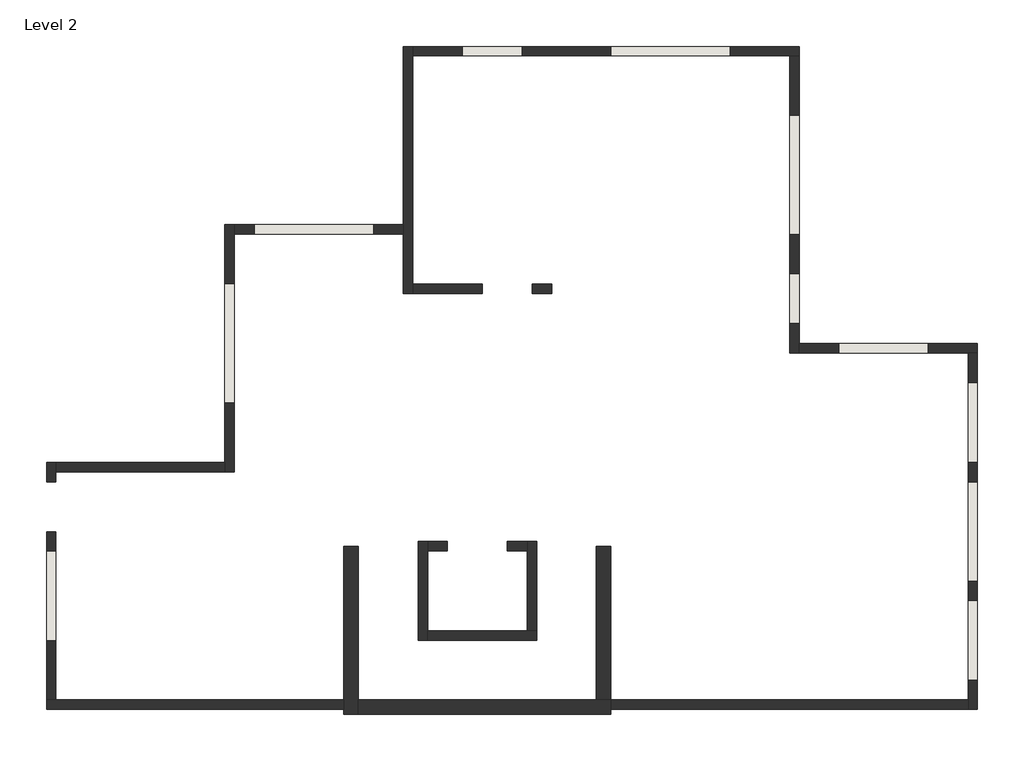
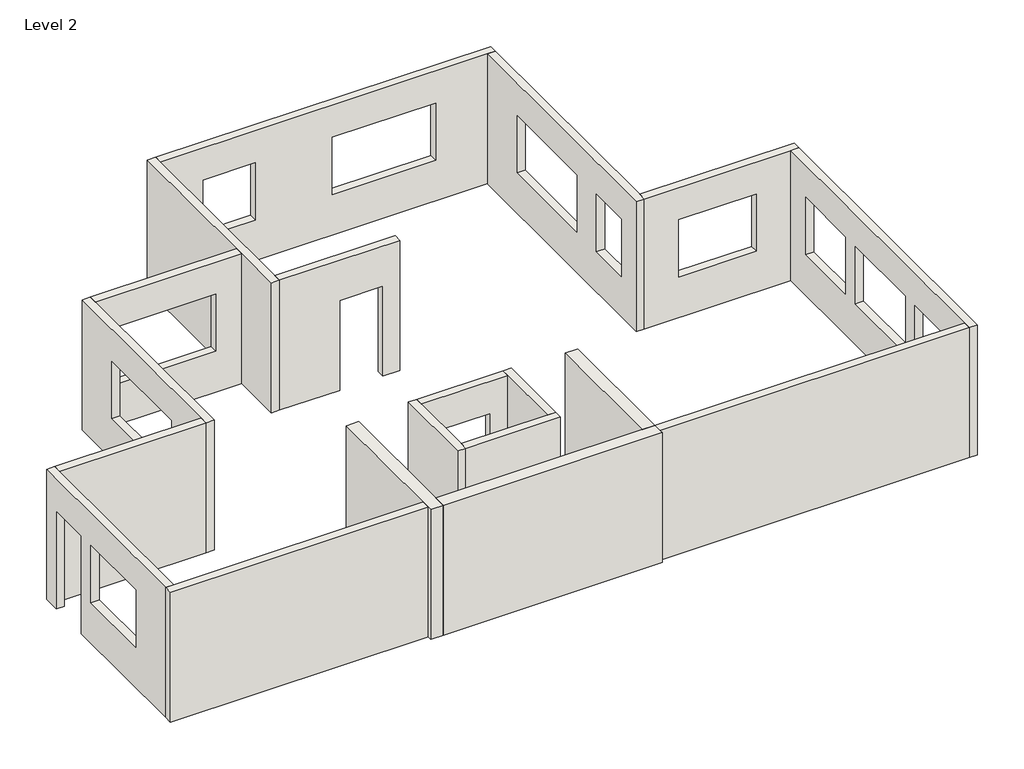
# One storey: 19 walls.
"""IFC4 building model written with IfcOpenShell, lengths in millimetres."""

from ifc_helpers import new_model, si_unit, frame, origin, place, context, project, spatial, polyline, outline, extrude, faceted_brep, element, save

model = new_model("IFC4")

# Units and contexts
model_context = context("Model", 3, world=origin())
ifc_project = project(units=[si_unit("LENGTHUNIT", "METRE", prefix="MILLI")], contexts=[model_context])

# Site, building, storey
site = spatial("IfcSite", under=ifc_project)
building = spatial("IfcBuilding", under=site)
storey = spatial("IfcBuildingStorey", under=building, Name="Level 2", Elevation=3657.6)

# Walls
placement = place(None, origin())
element("IfcWall", 1, ObjectType="12\" Omni", at=placement, inside=storey, context=model_context, shape_type="Brep", body=[
    faceted_brep([(10593.2716482, -4772.8512144, 3657.6), (10593.2716482, -7927.2137144, 3657.6), (10593.2716482, -8120.8887144, 3657.6), (10593.2716482, -8222.4887144, 3657.6), (10593.2716482, -8222.4887144, 6908.8), (10593.2716482, -8120.8887144, 6908.8), (10593.2716482, -7927.2137144, 6908.8), (10593.2716482, -4772.8512144, 6908.8), (10888.5466482, -4772.8512144, 3657.6), (10888.5466482, -4772.8512144, 6908.8), (10888.5466482, -7927.2137144, 6908.8), (10888.5466482, -8222.4887144, 6908.8), (10888.5466482, -8222.4887144, 3657.6), (10888.5466482, -7927.2137144, 3657.6)], [[[0, 1, 2, 3, 4, 5, 6, 7]], [[8, 9, 10, 11, 12, 13]], [[3, 2, 1, 0, 8, 13, 12]], [[7, 6, 5, 4, 11, 10, 9]], [[0, 7, 9, 8]], [[4, 3, 12, 11]]]),
])
element("IfcWall", 2, ObjectType="12\" Omni", at=placement, inside=storey, context=model_context, shape_type="Brep", body=[
    faceted_brep([(10888.5466482, -8222.4887144, 3657.6), (16070.1466482, -8222.4887144, 3657.6), (16070.1466482, -8222.4887144, 6908.8), (10888.5466482, -8222.4887144, 6908.8), (10888.5466482, -7927.2137144, 3657.6), (10888.5466482, -7927.2137144, 6908.8), (15774.8716482, -7927.2137144, 6908.8), (16070.1466482, -7927.2137144, 6908.8), (16070.1466482, -7927.2137144, 3657.6), (15774.8716482, -7927.2137144, 3657.6), (16070.1466482, -8120.8887144, 3657.6), (16070.1466482, -8120.8887144, 6908.8)], [[[0, 1, 2, 3]], [[4, 5, 6, 7, 8, 9]], [[1, 0, 4, 9, 8, 10]], [[3, 2, 11, 7, 6, 5]], [[0, 3, 5, 4]], [[2, 1, 10, 8, 7, 11]]]),
])
element("IfcWall", 3, ObjectType="12\" Omni", at=placement, inside=storey, context=model_context, shape_type="SweptSolid", body=[
    extrude(outline(polyline([(16070.1466482, -4772.8512144), (16070.1466482, -7927.2137144), (15774.8716482, -7927.2137144), (15774.8716482, -4772.8512144), (16070.1466482, -4772.8512144)])), frame((0.0, 0.0, 3657.6), z_axis=(0.0, 0.0, 1.0), x_axis=(1.0, 0.0, 0.0)), (0.0, 0.0, 1.0), 3251.2),
])
element("IfcWall", 4, ObjectType="8\" CMU", at=placement, inside=storey, context=model_context, shape_type="Brep", body=[
    faceted_brep([(12117.2716482, -4676.0137144, 3657.6), (12117.2716482, -6698.4887144, 3657.6), (12117.2716482, -6698.4887144, 6908.8), (12117.2716482, -4676.0137144, 6908.8), (12310.9466482, -4676.0137144, 3657.6), (12310.9466482, -4676.0137144, 6908.8), (12310.9466482, -4869.6887144, 6908.8), (12310.9466482, -6504.8137144, 6908.8), (12310.9466482, -6698.4887144, 6908.8), (12310.9466482, -6698.4887144, 3657.6), (12310.9466482, -6504.8137144, 3657.6), (12310.9466482, -4869.6887144, 3657.6)], [[[0, 1, 2, 3]], [[4, 5, 6, 7, 8, 9, 10, 11]], [[1, 0, 4, 11, 10, 9]], [[3, 2, 8, 7, 6, 5]], [[2, 1, 9, 8]], [[0, 3, 5, 4]]]),
])
element("IfcWall", 5, ObjectType="8\" CMU", at=placement, inside=storey, context=model_context, shape_type="Brep", body=[
    faceted_brep([(12310.9466482, -6698.4887144, 3657.6), (14546.1466482, -6698.4887144, 3657.6), (14546.1466482, -6698.4887144, 6908.8), (12310.9466482, -6698.4887144, 6908.8), (12310.9466482, -6504.8137144, 3657.6), (12310.9466482, -6504.8137144, 6908.8), (14352.4716482, -6504.8137144, 6908.8), (14546.1466482, -6504.8137144, 6908.8), (14546.1466482, -6504.8137144, 3657.6), (14352.4716482, -6504.8137144, 3657.6)], [[[0, 1, 2, 3]], [[4, 5, 6, 7, 8, 9]], [[1, 0, 4, 9, 8]], [[3, 2, 7, 6, 5]], [[0, 3, 5, 4]], [[2, 1, 8, 7]]]),
])
element("IfcWall", 6, ObjectType="8\" CMU", at=placement, inside=storey, context=model_context, shape_type="Brep", body=[
    faceted_brep([(14546.1466482, -6504.8137144, 3657.6), (14546.1466482, -4676.0137144, 3657.6), (14546.1466482, -4676.0137144, 6908.8), (14546.1466482, -6504.8137144, 6908.8), (14352.4716482, -6504.8137144, 3657.6), (14352.4716482, -6504.8137144, 6908.8), (14352.4716482, -4869.6887144, 6908.8), (14352.4716482, -4676.0137144, 6908.8), (14352.4716482, -4676.0137144, 3657.6), (14352.4716482, -4869.6887144, 3657.6)], [[[0, 1, 2, 3]], [[4, 5, 6, 7, 8, 9]], [[1, 0, 4, 9, 8]], [[3, 2, 7, 6, 5]], [[0, 3, 5, 4]], [[2, 1, 8, 7]]]),
])
element("IfcWall", 7, ObjectType="8\" CMU", at=placement, inside=storey, context=model_context, shape_type="SweptSolid", body=[
    extrude(outline(polyline([(6908.8, 12310.9466482), (3657.6, 12310.9466482), (3657.6, 12717.3471562), (6105.525, 12717.3471562), (6105.525, 13946.0721562), (3657.6, 13946.0721562), (3657.6, 14352.4716482), (6908.8, 14352.4716482), (6908.8, 12310.9466482)])), frame((0.0, -4869.6887144, 0.0), z_axis=(0.0, 1.0, 0.0), x_axis=(0.0, 0.0, 1.0)), (0.0, 0.0, 1.0), 193.675),
])
element("IfcWall", 8, ObjectType="8\" Omni", at=placement, inside=storey, context=model_context, shape_type="Brep", body=[
    faceted_brep([(10593.2716482, -7927.2137144, 3657.6), (4690.9466482, -7927.2137144, 3657.6), (4497.2716482, -7927.2137144, 3657.6), (4497.2716482, -7927.2137144, 6908.8), (4690.9466482, -7927.2137144, 6908.8), (10593.2716482, -7927.2137144, 6908.8), (10593.2716482, -8120.8887144, 3657.6), (10593.2716482, -8120.8887144, 6908.8), (4497.2716482, -8120.8887144, 6908.8), (4497.2716482, -8120.8887144, 3657.6)], [[[0, 1, 2, 3, 4, 5]], [[6, 7, 8, 9]], [[2, 1, 0, 6, 9]], [[5, 4, 3, 8, 7]], [[3, 2, 9, 8]], [[0, 5, 7, 6]]]),
])
element("IfcWall", 9, ObjectType="8\" Omni", at=placement, inside=storey, context=model_context, shape_type="Brep", body=[
    faceted_brep([(4690.9466482, -3050.4137144, 3657.6), (4690.9466482, -3050.4137144, 6908.8), (4690.9466482, -3244.0887144, 6908.8), (4690.9466482, -7927.2137144, 6908.8), (4690.9466482, -7927.2137144, 3657.6), (4690.9466482, -4472.8142224, 3657.6), (4690.9466482, -4472.8142224, 6105.525), (4690.9466482, -3447.2871904, 6105.525), (4690.9466482, -3447.2871904, 3657.6), (4690.9466482, -3244.0887144, 3657.6), (4690.9466482, -6708.0132064, 6105.525), (4690.9466482, -4869.6882064, 6105.525), (4690.9466482, -4869.6882064, 4673.598984), (4690.9466482, -6708.0132064, 4673.598984), (4497.2716482, -3050.4137144, 6908.8), (4497.2716482, -3050.4137144, 3657.6), (4497.2716482, -3447.2871904, 3657.6), (4497.2716482, -3447.2871904, 6105.525), (4497.2716482, -4472.8142224, 6105.525), (4497.2716482, -4472.8142224, 3657.6), (4497.2716482, -7927.2137144, 3657.6), (4497.2716482, -7927.2137144, 6908.8), (4497.2716482, -4869.6882064, 6105.525), (4497.2716482, -6708.0132064, 6105.525), (4497.2716482, -6708.0132064, 4673.598984), (4497.2716482, -4869.6882064, 4673.598984)], [[[0, 1, 2, 3, 4, 5, 6, 7, 8, 9], [10, 11, 12, 13]], [[14, 15, 16, 17, 18, 19, 20, 21], [22, 23, 24, 25]], [[4, 20, 19, 5]], [[15, 0, 9, 8, 16]], [[3, 2, 1, 14, 21]], [[4, 3, 21, 20]], [[1, 0, 15, 14]], [[10, 23, 22, 11]], [[12, 25, 24, 13]], [[23, 10, 13, 24]], [[11, 22, 25, 12]], [[6, 18, 17, 7]], [[18, 6, 5, 19]], [[7, 17, 16, 8]]]),
])
element("IfcWall", 10, ObjectType="8\" Omni", at=placement, inside=storey, context=model_context, shape_type="SweptSolid", body=[
    extrude(outline(polyline([(8154.8716482, -3244.0887144), (4690.9466482, -3244.0887144), (4690.9466482, -3050.4137144), (8154.8716482, -3050.4137144), (8154.8716482, -3244.0887144)])), frame((0.0, 0.0, 3657.6), z_axis=(0.0, 0.0, 1.0), x_axis=(1.0, 0.0, 0.0)), (0.0, 0.0, 1.0), 3251.2),
])
element("IfcWall", 11, ObjectType="8\" Omni", at=placement, inside=storey, context=model_context, shape_type="Brep", body=[
    faceted_brep([(8348.5466482, -3244.0887144, 3657.6), (8348.5466482, 1632.7112856, 3657.6), (8348.5466482, 1826.3862856, 3657.6), (8348.5466482, 1826.3862856, 6908.8), (8348.5466482, 1632.7112856, 6908.8), (8348.5466482, -3244.0887144, 6908.8), (8348.5466482, -1831.2132064, 6105.525), (8348.5466482, 616.7117936, 6105.525), (8348.5466482, 616.7117936, 4673.6), (8348.5466482, -1831.2132064, 4673.6), (8154.8716482, 1826.3862856, 3657.6), (8154.8716482, -3050.4137144, 3657.6), (8154.8716482, -3244.0887144, 3657.6), (8154.8716482, -3244.0887144, 6908.8), (8154.8716482, -3050.4137144, 6908.8), (8154.8716482, 1826.3862856, 6908.8), (8154.8716482, 616.7117936, 6105.525), (8154.8716482, -1831.2132064, 6105.525), (8154.8716482, -1831.2132064, 4673.6), (8154.8716482, 616.7117936, 4673.6)], [[[0, 1, 2, 3, 4, 5], [6, 7, 8, 9]], [[10, 11, 12, 13, 14, 15], [16, 17, 18, 19]], [[2, 1, 0, 12, 11, 10]], [[5, 4, 3, 15, 14, 13]], [[3, 2, 10, 15]], [[0, 5, 13, 12]], [[6, 17, 16, 7]], [[8, 19, 18, 9]], [[17, 6, 9, 18]], [[7, 16, 19, 8]]]),
])
element("IfcWall", 12, ObjectType="8\" Omni", at=placement, inside=storey, context=model_context, shape_type="SweptSolid", body=[
    extrude(outline(polyline([(3657.6, 8348.5466482), (3657.6, 11812.4716482), (6908.8, 11812.4716482), (6908.8, 8348.5466482), (3657.6, 8348.5466482)]), holes=[polyline([(6105.525, 8754.9461402), (6105.525, 11207.6351642), (4673.598984, 11207.6351642), (4673.598984, 8754.9461402), (6105.525, 8754.9461402)])]), frame((0.0, 1632.7112856, 0.0), z_axis=(0.0, 1.0, 0.0), x_axis=(0.0, 0.0, 1.0)), (0.0, 0.0, 1.0), 193.675),
])
element("IfcWall", 13, ObjectType="8\" Omni", at=placement, inside=storey, context=model_context, shape_type="Brep", body=[
    faceted_brep([(12006.1466482, 413.5112856, 3657.6), (12006.1466482, 607.1862856, 3657.6), (12006.1466482, 5290.3112856, 3657.6), (12006.1466482, 5483.9862856, 3657.6), (12006.1466482, 5483.9862856, 6908.8), (12006.1466482, 5290.3112856, 6908.8), (12006.1466482, 607.1862856, 6908.8), (12006.1466482, 413.5112856, 6908.8), (11812.4716482, 413.5112856, 3657.6), (11812.4716482, 413.5112856, 6908.8), (11812.4716482, 1632.7112856, 6908.8), (11812.4716482, 1826.3862856, 6908.8), (11812.4716482, 5483.9862856, 6908.8), (11812.4716482, 5483.9862856, 3657.6), (11812.4716482, 1826.3862856, 3657.6), (11812.4716482, 1632.7112856, 3657.6)], [[[0, 1, 2, 3, 4, 5, 6, 7]], [[8, 9, 10, 11, 12, 13, 14, 15]], [[3, 2, 1, 0, 8, 15, 14, 13]], [[7, 6, 5, 4, 12, 11, 10, 9]], [[4, 3, 13, 12]], [[0, 7, 9, 8]]]),
])
element("IfcWall", 14, ObjectType="8\" Omni", at=placement, inside=storey, context=model_context, shape_type="Brep", body=[
    faceted_brep([(12006.1466482, 5290.3112856, 3657.6), (19737.2716482, 5290.3112856, 3657.6), (19930.9466482, 5290.3112856, 3657.6), (19930.9466482, 5290.3112856, 6908.8), (19737.2716482, 5290.3112856, 6908.8), (12006.1466482, 5290.3112856, 6908.8), (13022.1461402, 5290.3112856, 6105.525), (14250.8711402, 5290.3112856, 6105.525), (14250.8711402, 5290.3112856, 4673.598984), (13022.1461402, 5290.3112856, 4673.598984), (16070.1461402, 5290.3112856, 6105.525), (18518.0711402, 5290.3112856, 6105.525), (18518.0711402, 5290.3112856, 4673.598984), (16070.1461402, 5290.3112856, 4673.598984), (19930.9466482, 5483.9862856, 3657.6), (12006.1466482, 5483.9862856, 3657.6), (12006.1466482, 5483.9862856, 6908.8), (19930.9466482, 5483.9862856, 6908.8), (14250.8711402, 5483.9862856, 6105.525), (13022.1461402, 5483.9862856, 6105.525), (13022.1461402, 5483.9862856, 4673.598984), (14250.8711402, 5483.9862856, 4673.598984), (18518.0711402, 5483.9862856, 6105.525), (16070.1461402, 5483.9862856, 6105.525), (16070.1461402, 5483.9862856, 4673.598984), (18518.0711402, 5483.9862856, 4673.598984)], [[[0, 1, 2, 3, 4, 5], [6, 7, 8, 9], [10, 11, 12, 13]], [[14, 15, 16, 17], [18, 19, 20, 21], [22, 23, 24, 25]], [[2, 1, 0, 15, 14]], [[5, 4, 3, 17, 16]], [[0, 5, 16, 15]], [[3, 2, 14, 17]], [[6, 19, 18, 7]], [[8, 21, 20, 9]], [[19, 6, 9, 20]], [[7, 18, 21, 8]], [[10, 23, 22, 11]], [[12, 25, 24, 13]], [[23, 10, 13, 24]], [[11, 22, 25, 12]]]),
])
element("IfcWall", 15, ObjectType="8\" Omni", at=placement, inside=storey, context=model_context, shape_type="Brep", body=[
    faceted_brep([(19737.2716482, 5290.3112856, 3657.6), (19737.2716482, -805.6887144, 3657.6), (19737.2716482, -805.6887144, 6908.8), (19737.2716482, 5290.3112856, 6908.8), (19737.2716482, 4071.1117936, 6105.525), (19737.2716482, 1623.1867936, 6105.525), (19737.2716482, 1623.1867936, 4673.598984), (19737.2716482, 4071.1117936, 4673.598984), (19737.2716482, 819.9107776, 6105.525), (19737.2716482, -205.6132064, 6105.525), (19737.2716482, -205.6132064, 4673.598984), (19737.2716482, 819.9107776, 4673.598984), (19930.9466482, -805.6887144, 3657.6), (19930.9466482, -612.0137144, 3657.6), (19930.9466482, 5290.3112856, 3657.6), (19930.9466482, 5290.3112856, 6908.8), (19930.9466482, -612.0137144, 6908.8), (19930.9466482, -805.6887144, 6908.8), (19930.9466482, 1623.1867936, 6105.525), (19930.9466482, 4071.1117936, 6105.525), (19930.9466482, 4071.1117936, 4673.598984), (19930.9466482, 1623.1867936, 4673.598984), (19930.9466482, -205.6132064, 6105.525), (19930.9466482, 819.9107776, 6105.525), (19930.9466482, 819.9107776, 4673.598984), (19930.9466482, -205.6132064, 4673.598984)], [[[0, 1, 2, 3], [4, 5, 6, 7], [8, 9, 10, 11]], [[12, 13, 14, 15, 16, 17], [18, 19, 20, 21], [22, 23, 24, 25]], [[1, 0, 14, 13, 12]], [[3, 2, 17, 16, 15]], [[0, 3, 15, 14]], [[2, 1, 12, 17]], [[4, 19, 18, 5]], [[6, 21, 20, 7]], [[19, 4, 7, 20]], [[5, 18, 21, 6]], [[8, 23, 22, 9]], [[10, 25, 24, 11]], [[23, 8, 11, 24]], [[9, 22, 25, 10]]]),
])
element("IfcWall", 16, ObjectType="8\" Omni", at=placement, inside=storey, context=model_context, shape_type="Brep", body=[
    faceted_brep([(19930.9466482, -805.6887144, 3657.6), (23394.8716482, -805.6887144, 3657.6), (23588.5466482, -805.6887144, 3657.6), (23588.5466482, -805.6887144, 6908.8), (23394.8716482, -805.6887144, 6908.8), (19930.9466482, -805.6887144, 6908.8), (20743.7451242, -805.6887144, 6105.525), (22582.0731722, -805.6887144, 6105.525), (22582.0731722, -805.6887144, 4673.598984), (20743.7451242, -805.6887144, 4673.598984), (23588.5466482, -612.0137144, 3657.6), (19930.9466482, -612.0137144, 3657.6), (19930.9466482, -612.0137144, 6908.8), (23588.5466482, -612.0137144, 6908.8), (22582.0731722, -612.0137144, 6105.525), (20743.7451242, -612.0137144, 6105.525), (20743.7451242, -612.0137144, 4673.598984), (22582.0731722, -612.0137144, 4673.598984)], [[[0, 1, 2, 3, 4, 5], [6, 7, 8, 9]], [[10, 11, 12, 13], [14, 15, 16, 17]], [[2, 1, 0, 11, 10]], [[5, 4, 3, 13, 12]], [[0, 5, 12, 11]], [[3, 2, 10, 13]], [[6, 15, 14, 7]], [[8, 17, 16, 9]], [[15, 6, 9, 16]], [[7, 14, 17, 8]]]),
])
element("IfcWall", 17, ObjectType="8\" Omni", at=placement, inside=storey, context=model_context, shape_type="Brep", body=[
    faceted_brep([(23394.8716482, -805.6887144, 3657.6), (23394.8716482, -7927.2137144, 3657.6), (23394.8716482, -8120.8887144, 3657.6), (23394.8716482, -8120.8887144, 6908.8), (23394.8716482, -7927.2137144, 6908.8), (23394.8716482, -805.6887144, 6908.8), (23394.8716482, -1415.2892224, 6105.525), (23394.8716482, -3050.4132064, 6105.525), (23394.8716482, -3050.4132064, 4673.598984), (23394.8716482, -1415.2892224, 4673.598984), (23394.8716482, -3447.2902384, 6105.525), (23394.8716482, -5488.8132064, 6105.525), (23394.8716482, -5488.8132064, 4673.598984), (23394.8716482, -3447.2902384, 4673.598984), (23394.8716482, -5885.6902384, 6105.525), (23394.8716482, -7520.8142224, 6105.525), (23394.8716482, -7520.8142224, 4673.598984), (23394.8716482, -5885.6902384, 4673.598984), (23588.5466482, -8120.8887144, 3657.6), (23588.5466482, -805.6887144, 3657.6), (23588.5466482, -805.6887144, 6908.8), (23588.5466482, -8120.8887144, 6908.8), (23588.5466482, -3050.4132064, 6105.525), (23588.5466482, -1415.2892224, 6105.525), (23588.5466482, -1415.2892224, 4673.598984), (23588.5466482, -3050.4132064, 4673.598984), (23588.5466482, -5488.8132064, 6105.525), (23588.5466482, -3447.2902384, 6105.525), (23588.5466482, -3447.2902384, 4673.598984), (23588.5466482, -5488.8132064, 4673.598984), (23588.5466482, -7520.8142224, 6105.525), (23588.5466482, -5885.6902384, 6105.525), (23588.5466482, -5885.6902384, 4673.598984), (23588.5466482, -7520.8142224, 4673.598984)], [[[0, 1, 2, 3, 4, 5], [6, 7, 8, 9], [10, 11, 12, 13], [14, 15, 16, 17]], [[18, 19, 20, 21], [22, 23, 24, 25], [26, 27, 28, 29], [30, 31, 32, 33]], [[2, 1, 0, 19, 18]], [[5, 4, 3, 21, 20]], [[0, 5, 20, 19]], [[3, 2, 18, 21]], [[6, 23, 22, 7]], [[8, 25, 24, 9]], [[23, 6, 9, 24]], [[7, 22, 25, 8]], [[10, 27, 26, 11]], [[12, 29, 28, 13]], [[27, 10, 13, 28]], [[11, 26, 29, 12]], [[14, 31, 30, 15]], [[16, 33, 32, 17]], [[31, 14, 17, 32]], [[15, 30, 33, 16]]]),
])
element("IfcWall", 18, ObjectType="8\" Omni", at=placement, inside=storey, context=model_context, shape_type="SweptSolid", body=[
    extrude(outline(polyline([(16070.1466482, -7927.2137144), (23394.8716482, -7927.2137144), (23394.8716482, -8120.8887144), (16070.1466482, -8120.8887144), (16070.1466482, -7927.2137144)])), frame((0.0, 0.0, 3657.6), z_axis=(0.0, 0.0, 1.0), x_axis=(1.0, 0.0, 0.0)), (0.0, 0.0, 1.0), 3251.2),
])
element("IfcWall", 19, ObjectType="8\" Omni", at=placement, inside=storey, context=model_context, shape_type="SweptSolid", body=[
    extrude(outline(polyline([(3657.6, 14855.7091482), (6908.8, 14855.7091482), (6908.8, 12006.1466482), (3657.6, 12006.1466482), (3657.6, 13428.5451242), (5902.323984, 13428.5451242), (5902.323984, 14454.0721562), (3657.6, 14454.0721562), (3657.6, 14855.7091482)])), frame((0.0, 413.5112856, 0.0), z_axis=(0.0, 1.0, 0.0), x_axis=(0.0, 0.0, 1.0)), (0.0, 0.0, 1.0), 193.675),
])

save(model, "model.ifc")
